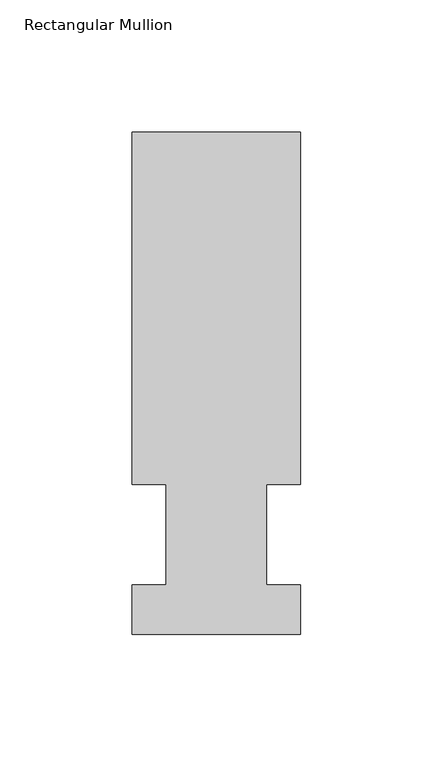
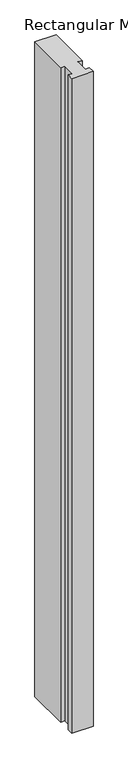
"""IFC4 building model written with IfcOpenShell, lengths in millimetres: member geometry, Rectangular Mullion."""

from ifc_helpers import new_model, si_unit, frame, origin, place, context, project, spatial, polyline, outline, extrude, source, transform, mapped, element, save


def rectangular_mullion_e86d2187(model_context):
    return source(origin(), model_context, "Body", "SweptSolid", [
        extrude(outline(polyline([(-31.75, 189.5975063), (31.75, 189.5975063), (31.75, 56.6539063), (19.05, 56.6539063), (19.05, 18.5539062), (31.75, 18.5539062), (31.75, 0.0119062), (-31.75, 0.0119062), (-31.75, 18.5539062), (-19.05, 18.5539062), (-19.05, 56.6539063), (-31.75, 56.6539063), (-31.75, 189.5975063)])), frame((0.0, 0.0, -2057.4), z_axis=(0.0, 0.0, 1.0), x_axis=(1.0, 0.0, 0.0)), (0.0, 0.0, 1.0), 2057.4),
    ])


if __name__ == "__main__":
    model = new_model("IFC4")
    model_context = context("Model", 3, world=origin())
    ifc_project = project(units=[si_unit("LENGTHUNIT", "METRE", prefix="MILLI")], contexts=[model_context])
    site = spatial("IfcSite", under=ifc_project)
    building = spatial("IfcBuilding", under=site)
    placement = place(None, origin())
    rectangular_mullion_shape = rectangular_mullion_e86d2187(model_context)
    element("IfcMember", 1, ObjectType="Rectangular Mullion", at=placement, inside=building, context=model_context, shape_type="MappedRepresentation", body=[
        mapped(rectangular_mullion_shape, transform((0.0, 0.0, 0.0), x_axis=(1.0, 0.0, 0.0), y_axis=(0.0, 1.0, 0.0), z_axis=(0.0, 0.0, 1.0))),
    ])
    save(model, "model.ifc")
